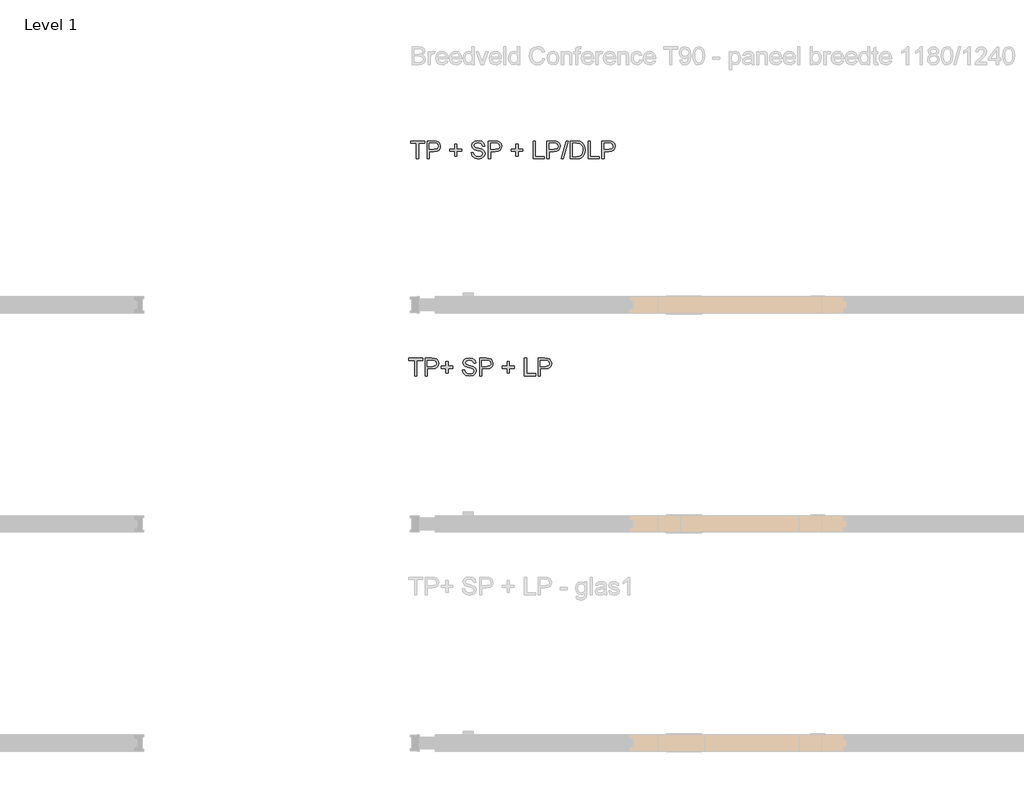
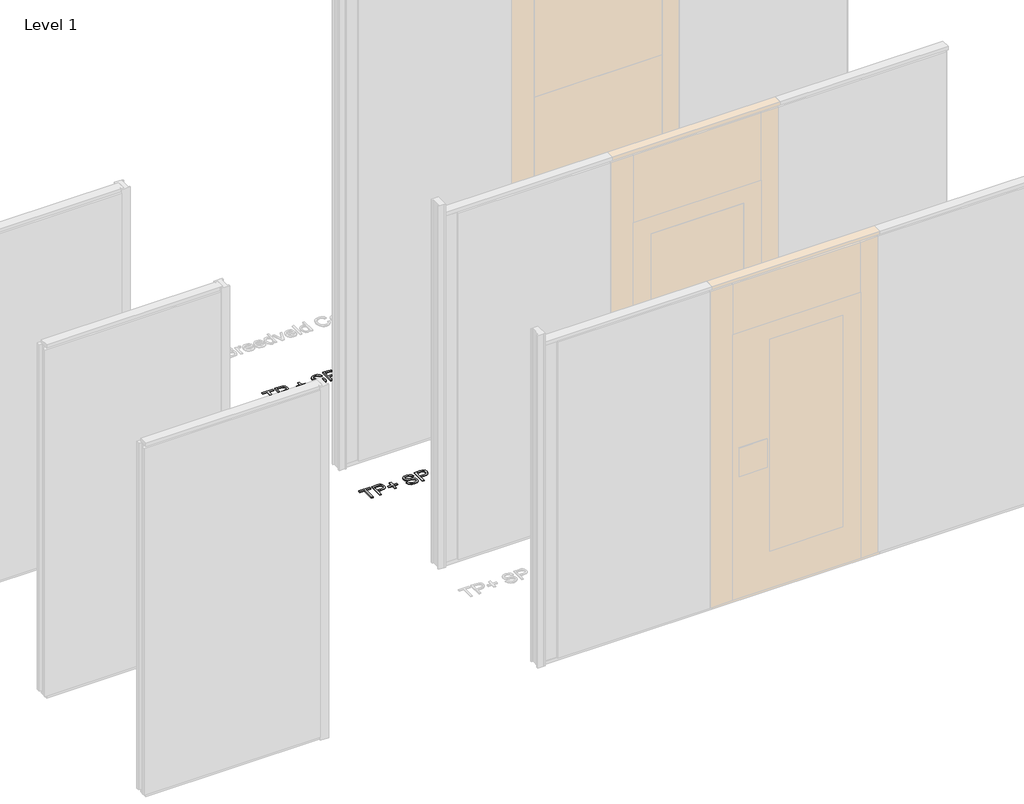
# One storey, part 15 of 17: 2 proxies.
"""IFC4 building model written with IfcOpenShell, lengths in millimetres."""

from ifc_helpers import new_model, si_unit, origin, origin_with_axes, place, context, project, spatial, polyline, outline, extrude, element, save

model = new_model("IFC4")

# Units and contexts
model_context = context("Model", 3, world=origin())
ifc_project = project(units=[si_unit("LENGTHUNIT", "METRE", prefix="MILLI")], contexts=[model_context])

# Site, building, storey
site = spatial("IfcSite", under=ifc_project)
building = spatial("IfcBuilding", under=site)
storey = spatial("IfcBuildingStorey", under=building, Name="Level 1", Elevation=0.0)

# Proxies
placement = place(None, origin())
element("IfcBuildingElementProxy", 1, Name="100 mm", ObjectType="100 mm", at=placement, inside=storey, context=model_context, shape_type="SweptSolid", body=[
    extrude(outline(polyline([(-5974.5064356, 4122.9102169), (-5974.5064356, 4209.0640631), (-6006.8141279, 4209.0640631), (-6006.8141279, 4221.3717554), (-5929.891051, 4221.3717554), (-5929.891051, 4209.0640631), (-5962.1987433, 4209.0640631), (-5962.1987433, 4122.9102169), (-5974.5064356, 4122.9102169)])), origin_with_axes(), (0.0, 0.0, 1.0), 5.0),
    extrude(outline(polyline([(-5916.0448971, 4122.9102169), (-5916.0448971, 4221.3717554), (-5879.5545125, 4221.3717554), (-5864.842974, 4220.4342554), (-5852.8838394, 4215.83089), (-5845.1314356, 4206.3116592), (-5842.1987433, 4192.8861784), (-5844.1789115, 4181.2816111), (-5850.1194164, 4171.61214), (-5861.2281904, 4165.0856977), (-5878.7131664, 4162.9102169), (-5903.7372048, 4162.9102169), (-5903.7372048, 4122.9102169), (-5916.0448971, 4122.9102169)]), holes=[polyline([(-5903.7372048, 4175.2179092), (-5877.9920125, 4175.2179092), (-5859.8670125, 4179.73714), (-5855.8465798, 4185.1758419), (-5854.5064356, 4192.4534861), (-5857.6674933, 4202.6457938), (-5865.9727817, 4208.2227169), (-5878.280474, 4209.0640631), (-5903.7372048, 4209.0640631), (-5903.7372048, 4175.2179092)])]), origin_with_axes(), (0.0, 0.0, 1.0), 5.0),
    extrude(outline(polyline([(-5802.1987433, 4138.2948323), (-5802.1987433, 4164.4486784), (-5828.3525894, 4164.4486784), (-5828.3525894, 4176.7563707), (-5802.1987433, 4176.7563707), (-5802.1987433, 4202.9102169), (-5789.891051, 4202.9102169), (-5789.891051, 4176.7563707), (-5763.7372048, 4176.7563707), (-5763.7372048, 4164.4486784), (-5789.891051, 4164.4486784), (-5789.891051, 4138.2948323), (-5802.1987433, 4138.2948323)])), origin_with_axes(), (0.0, 0.0, 1.0), 5.0),
    extrude(outline(polyline([(-5711.4295125, 4156.7563707), (-5699.1218202, 4156.7563707), (-5695.155474, 4144.4366592), (-5685.467974, 4136.6481977), (-5670.7083587, 4133.6794477), (-5657.8477817, 4135.9270438), (-5649.5424933, 4142.1049284), (-5646.8141279, 4150.36214), (-5648.8573971, 4158.0424284), (-5657.2227817, 4163.6313707), (-5675.1434548, 4168.33089), (-5694.4343202, 4174.4006015), (-5704.9030702, 4183.5592554), (-5708.3525894, 4195.7948323), (-5704.0857625, 4209.7251207), (-5691.6218202, 4219.5568515), (-5673.3766279, 4222.9102169), (-5653.905474, 4219.4006015), (-5640.9247048, 4209.0881015), (-5636.0448971, 4193.6794477), (-5648.3525894, 4193.6794477), (-5655.3237433, 4206.3236784), (-5672.8958587, 4210.6025246), (-5690.516051, 4206.3717554), (-5696.0448971, 4196.1554092), (-5692.1266279, 4187.6217554), (-5672.030474, 4180.7467554), (-5650.2516279, 4174.5688707), (-5638.3405702, 4164.5929092), (-5634.5064356, 4150.67464), (-5638.9174933, 4135.9510823), (-5651.609801, 4125.20589), (-5670.2275894, 4121.3717554), (-5692.2107625, 4125.5063707), (-5706.1170125, 4137.9582938), (-5711.4295125, 4156.7563707)])), origin_with_axes(), (0.0, 0.0, 1.0), 5.0),
    extrude(outline(polyline([(-5616.0448971, 4122.9102169), (-5616.0448971, 4221.3717554), (-5579.5545125, 4221.3717554), (-5564.842974, 4220.4342554), (-5552.8838394, 4215.83089), (-5545.1314356, 4206.3116592), (-5542.1987433, 4192.8861784), (-5544.1789115, 4181.2816111), (-5550.1194164, 4171.61214), (-5561.2281904, 4165.0856977), (-5578.7131664, 4162.9102169), (-5603.7372048, 4162.9102169), (-5603.7372048, 4122.9102169), (-5616.0448971, 4122.9102169)]), holes=[polyline([(-5603.7372048, 4175.2179092), (-5577.9920125, 4175.2179092), (-5559.8670125, 4179.73714), (-5555.8465798, 4185.1758419), (-5554.5064356, 4192.4534861), (-5557.6674933, 4202.6457938), (-5565.9727817, 4208.2227169), (-5578.280474, 4209.0640631), (-5603.7372048, 4209.0640631), (-5603.7372048, 4175.2179092)])]), origin_with_axes(), (0.0, 0.0, 1.0), 5.0),
    extrude(outline(polyline([(-5463.7372048, 4138.2948323), (-5463.7372048, 4164.4486784), (-5489.891051, 4164.4486784), (-5489.891051, 4176.7563707), (-5463.7372048, 4176.7563707), (-5463.7372048, 4202.9102169), (-5451.4295125, 4202.9102169), (-5451.4295125, 4176.7563707), (-5425.2756664, 4176.7563707), (-5425.2756664, 4164.4486784), (-5451.4295125, 4164.4486784), (-5451.4295125, 4138.2948323), (-5463.7372048, 4138.2948323)])), origin_with_axes(), (0.0, 0.0, 1.0), 5.0),
    extrude(outline(polyline([(-5368.3525894, 4122.9102169), (-5368.3525894, 4221.3717554), (-5356.0448971, 4221.3717554), (-5356.0448971, 4135.2179092), (-5306.8141279, 4135.2179092), (-5306.8141279, 4122.9102169), (-5368.3525894, 4122.9102169)])), origin_with_axes(), (0.0, 0.0, 1.0), 5.0),
    extrude(outline(polyline([(-5292.967974, 4122.9102169), (-5292.967974, 4221.3717554), (-5256.4775894, 4221.3717554), (-5241.766051, 4220.4342554), (-5229.8069164, 4215.83089), (-5222.0545125, 4206.3116592), (-5219.1218202, 4192.8861784), (-5221.1019885, 4181.2816111), (-5227.0424933, 4171.61214), (-5238.1512673, 4165.0856977), (-5255.6362433, 4162.9102169), (-5280.6602817, 4162.9102169), (-5280.6602817, 4122.9102169), (-5292.967974, 4122.9102169)]), holes=[polyline([(-5280.6602817, 4175.2179092), (-5254.9150894, 4175.2179092), (-5236.7900894, 4179.73714), (-5232.7696567, 4185.1758419), (-5231.4295125, 4192.4534861), (-5234.5905702, 4202.6457938), (-5242.8958587, 4208.2227169), (-5255.203551, 4209.0640631), (-5280.6602817, 4209.0640631), (-5280.6602817, 4175.2179092)])]), origin_with_axes(), (0.0, 0.0, 1.0), 5.0),
])
element("IfcBuildingElementProxy", 2, Name="100 mm", ObjectType="100 mm", at=placement, inside=storey, context=model_context, shape_type="SweptSolid", body=[
    extrude(outline(polyline([(-5964.5064356, 5322.9102169), (-5964.5064356, 5409.0640631), (-5996.8141279, 5409.0640631), (-5996.8141279, 5421.3717554), (-5919.891051, 5421.3717554), (-5919.891051, 5409.0640631), (-5952.1987433, 5409.0640631), (-5952.1987433, 5322.9102169), (-5964.5064356, 5322.9102169)])), origin_with_axes(), (0.0, 0.0, 1.0), 5.0),
    extrude(outline(polyline([(-5906.0448971, 5322.9102169), (-5906.0448971, 5421.3717554), (-5869.5545125, 5421.3717554), (-5854.842974, 5420.4342554), (-5842.8838394, 5415.83089), (-5835.1314356, 5406.3116592), (-5832.1987433, 5392.8861784), (-5834.1789115, 5381.2816111), (-5840.1194164, 5371.61214), (-5851.2281904, 5365.0856977), (-5868.7131664, 5362.9102169), (-5893.7372048, 5362.9102169), (-5893.7372048, 5322.9102169), (-5906.0448971, 5322.9102169)]), holes=[polyline([(-5893.7372048, 5375.2179092), (-5867.9920125, 5375.2179092), (-5849.8670125, 5379.73714), (-5845.8465798, 5385.1758419), (-5844.5064356, 5392.4534861), (-5847.6674933, 5402.6457938), (-5855.9727817, 5408.2227169), (-5868.280474, 5409.0640631), (-5893.7372048, 5409.0640631), (-5893.7372048, 5375.2179092)])]), origin_with_axes(), (0.0, 0.0, 1.0), 5.0),
    extrude(outline(polyline([(-5753.7372048, 5338.2948323), (-5753.7372048, 5364.4486784), (-5779.891051, 5364.4486784), (-5779.891051, 5376.7563707), (-5753.7372048, 5376.7563707), (-5753.7372048, 5402.9102169), (-5741.4295125, 5402.9102169), (-5741.4295125, 5376.7563707), (-5715.2756664, 5376.7563707), (-5715.2756664, 5364.4486784), (-5741.4295125, 5364.4486784), (-5741.4295125, 5338.2948323), (-5753.7372048, 5338.2948323)])), origin_with_axes(), (0.0, 0.0, 1.0), 5.0),
    extrude(outline(polyline([(-5662.967974, 5356.7563707), (-5650.6602817, 5356.7563707), (-5646.6939356, 5344.4366592), (-5637.0064356, 5336.6481977), (-5622.2468202, 5333.6794477), (-5609.3862433, 5335.9270438), (-5601.0809548, 5342.1049284), (-5598.3525894, 5350.36214), (-5600.3958587, 5358.0424284), (-5608.7612433, 5363.6313707), (-5626.6819164, 5368.33089), (-5645.9727817, 5374.4006015), (-5656.4415317, 5383.5592554), (-5659.891051, 5395.7948323), (-5655.624224, 5409.7251207), (-5643.1602817, 5419.5568515), (-5624.9150894, 5422.9102169), (-5605.4439356, 5419.4006015), (-5592.4631664, 5409.0881015), (-5587.5833587, 5393.6794477), (-5599.891051, 5393.6794477), (-5606.8622048, 5406.3236784), (-5624.4343202, 5410.6025246), (-5642.0545125, 5406.3717554), (-5647.5833587, 5396.1554092), (-5643.6650894, 5387.6217554), (-5623.5689356, 5380.7467554), (-5601.7900894, 5374.5688707), (-5589.8790317, 5364.5929092), (-5586.0448971, 5350.67464), (-5590.4559548, 5335.9510823), (-5603.1482625, 5325.20589), (-5621.766051, 5321.3717554), (-5643.749224, 5325.5063707), (-5657.655474, 5337.9582938), (-5662.967974, 5356.7563707)])), origin_with_axes(), (0.0, 0.0, 1.0), 5.0),
    extrude(outline(polyline([(-5567.5833587, 5322.9102169), (-5567.5833587, 5421.3717554), (-5531.092974, 5421.3717554), (-5516.3814356, 5420.4342554), (-5504.422301, 5415.83089), (-5496.6698971, 5406.3116592), (-5493.7372048, 5392.8861784), (-5495.7173731, 5381.2816111), (-5501.6578779, 5371.61214), (-5512.7666519, 5365.0856977), (-5530.2516279, 5362.9102169), (-5555.2756664, 5362.9102169), (-5555.2756664, 5322.9102169), (-5567.5833587, 5322.9102169)]), holes=[polyline([(-5555.2756664, 5375.2179092), (-5529.530474, 5375.2179092), (-5511.405474, 5379.73714), (-5507.3850414, 5385.1758419), (-5506.0448971, 5392.4534861), (-5509.2059548, 5402.6457938), (-5517.5112433, 5408.2227169), (-5529.8189356, 5409.0640631), (-5555.2756664, 5409.0640631), (-5555.2756664, 5375.2179092)])]), origin_with_axes(), (0.0, 0.0, 1.0), 5.0),
    extrude(outline(polyline([(-5415.2756664, 5338.2948323), (-5415.2756664, 5364.4486784), (-5441.4295125, 5364.4486784), (-5441.4295125, 5376.7563707), (-5415.2756664, 5376.7563707), (-5415.2756664, 5402.9102169), (-5402.967974, 5402.9102169), (-5402.967974, 5376.7563707), (-5376.8141279, 5376.7563707), (-5376.8141279, 5364.4486784), (-5402.967974, 5364.4486784), (-5402.967974, 5338.2948323), (-5415.2756664, 5338.2948323)])), origin_with_axes(), (0.0, 0.0, 1.0), 5.0),
    extrude(outline(polyline([(-5319.891051, 5322.9102169), (-5319.891051, 5421.3717554), (-5307.5833587, 5421.3717554), (-5307.5833587, 5335.2179092), (-5258.3525894, 5335.2179092), (-5258.3525894, 5322.9102169), (-5319.891051, 5322.9102169)])), origin_with_axes(), (0.0, 0.0, 1.0), 5.0),
    extrude(outline(polyline([(-5244.5064356, 5322.9102169), (-5244.5064356, 5421.3717554), (-5208.016051, 5421.3717554), (-5193.3045125, 5420.4342554), (-5181.3453779, 5415.83089), (-5173.592974, 5406.3116592), (-5170.6602817, 5392.8861784), (-5172.64045, 5381.2816111), (-5178.5809548, 5371.61214), (-5189.6897289, 5365.0856977), (-5207.1747048, 5362.9102169), (-5232.1987433, 5362.9102169), (-5232.1987433, 5322.9102169), (-5244.5064356, 5322.9102169)]), holes=[polyline([(-5232.1987433, 5375.2179092), (-5206.453551, 5375.2179092), (-5188.328551, 5379.73714), (-5184.3081183, 5385.1758419), (-5182.967974, 5392.4534861), (-5186.1290317, 5402.6457938), (-5194.4343202, 5408.2227169), (-5206.7420125, 5409.0640631), (-5232.1987433, 5409.0640631), (-5232.1987433, 5375.2179092)])]), origin_with_axes(), (0.0, 0.0, 1.0), 5.0),
    extrude(outline(polyline([(-5164.5064356, 5322.9102169), (-5136.8141279, 5421.3717554), (-5125.7083587, 5421.3717554), (-5153.4006664, 5322.9102169), (-5164.5064356, 5322.9102169)])), origin_with_axes(), (0.0, 0.0, 1.0), 5.0),
    extrude(outline(polyline([(-5115.2756664, 5322.9102169), (-5115.2756664, 5421.3717554), (-5081.3093202, 5421.3717554), (-5063.7372048, 5419.9534861), (-5049.266051, 5412.9102169), (-5037.6073971, 5396.0832938), (-5033.7372048, 5372.6698323), (-5036.3573971, 5352.8020438), (-5043.0881664, 5338.4631015), (-5052.078551, 5329.5328131), (-5063.8453779, 5324.5929092), (-5079.6747048, 5322.9102169), (-5115.2756664, 5322.9102169)]), holes=[polyline([(-5102.967974, 5335.2179092), (-5081.1891279, 5335.2179092), (-5065.3477817, 5336.9967554), (-5056.2131664, 5342.0207938), (-5048.7251856, 5354.2443515), (-5046.0448971, 5372.86214), (-5047.3579981, 5386.2756015), (-5051.297301, 5396.1794477), (-5064.0737433, 5407.0929092), (-5081.5256664, 5409.0640631), (-5102.967974, 5409.0640631), (-5102.967974, 5335.2179092)])]), origin_with_axes(), (0.0, 0.0, 1.0), 5.0),
    extrude(outline(polyline([(-5016.8141279, 5322.9102169), (-5016.8141279, 5421.3717554), (-5004.5064356, 5421.3717554), (-5004.5064356, 5335.2179092), (-4955.2756664, 5335.2179092), (-4955.2756664, 5322.9102169), (-5016.8141279, 5322.9102169)])), origin_with_axes(), (0.0, 0.0, 1.0), 5.0),
    extrude(outline(polyline([(-4941.4295125, 5322.9102169), (-4941.4295125, 5421.3717554), (-4904.9391279, 5421.3717554), (-4890.2275894, 5420.4342554), (-4878.2684548, 5415.83089), (-4870.516051, 5406.3116592), (-4867.5833587, 5392.8861784), (-4869.5635269, 5381.2816111), (-4875.5040317, 5371.61214), (-4886.6128058, 5365.0856977), (-4904.0977817, 5362.9102169), (-4929.1218202, 5362.9102169), (-4929.1218202, 5322.9102169), (-4941.4295125, 5322.9102169)]), holes=[polyline([(-4929.1218202, 5375.2179092), (-4903.3766279, 5375.2179092), (-4885.2516279, 5379.73714), (-4881.2311952, 5385.1758419), (-4879.891051, 5392.4534861), (-4883.0521087, 5402.6457938), (-4891.3573971, 5408.2227169), (-4903.6650894, 5409.0640631), (-4929.1218202, 5409.0640631), (-4929.1218202, 5375.2179092)])]), origin_with_axes(), (0.0, 0.0, 1.0), 5.0),
])

save(model, "model.ifc")
